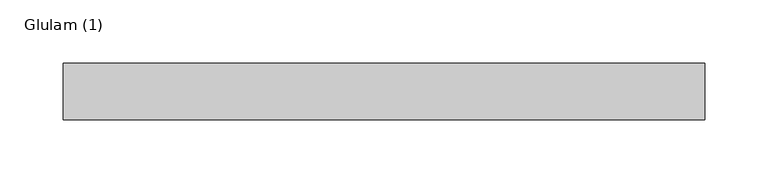
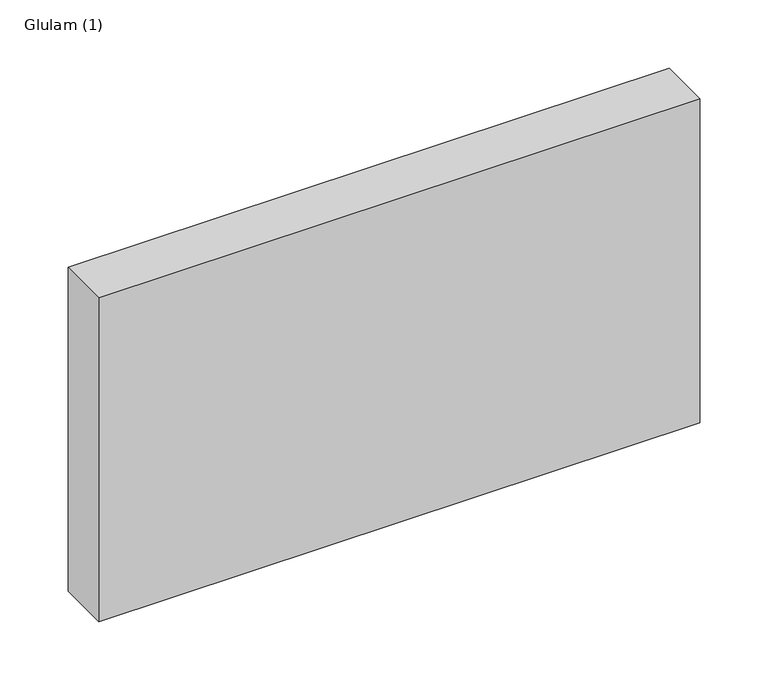
"""IFC4 building model written with IfcOpenShell, lengths in millimetres: beam geometry, Glulam (1)."""

from ifc_helpers import new_model, si_unit, frame, origin, place, context, project, spatial, polyline, outline, extrude, source, transform, mapped, element, save


def glulam_1_69989b50(model_context):
    return source(origin(), model_context, "Body", "SweptSolid", [
        extrude(outline(polyline([(254.5, 22.5), (254.5, -22.5), (-254.5, -22.5), (-254.5, 22.5), (254.5, 22.5)])), frame((0.0, 0.0, -145.0), z_axis=(0.0, 0.0, 1.0), x_axis=(1.0, 0.0, 0.0)), (0.0, 0.0, 1.0), 290.0),
    ])


if __name__ == "__main__":
    model = new_model("IFC4")
    model_context = context("Model", 3, world=origin())
    ifc_project = project(units=[si_unit("LENGTHUNIT", "METRE", prefix="MILLI")], contexts=[model_context])
    site = spatial("IfcSite", under=ifc_project)
    building = spatial("IfcBuilding", under=site)
    placement = place(None, origin())
    glulam_1_shape = glulam_1_69989b50(model_context)
    element("IfcBeam", 1, ObjectType="Glulam (1)", at=placement, inside=building, context=model_context, shape_type="MappedRepresentation", body=[
        mapped(glulam_1_shape, transform((0.0, 0.0, 0.0), x_axis=(1.0, 0.0, 0.0), y_axis=(0.0, 1.0, 0.0), z_axis=(0.0, 0.0, 1.0))),
    ])
    save(model, "model.ifc")
